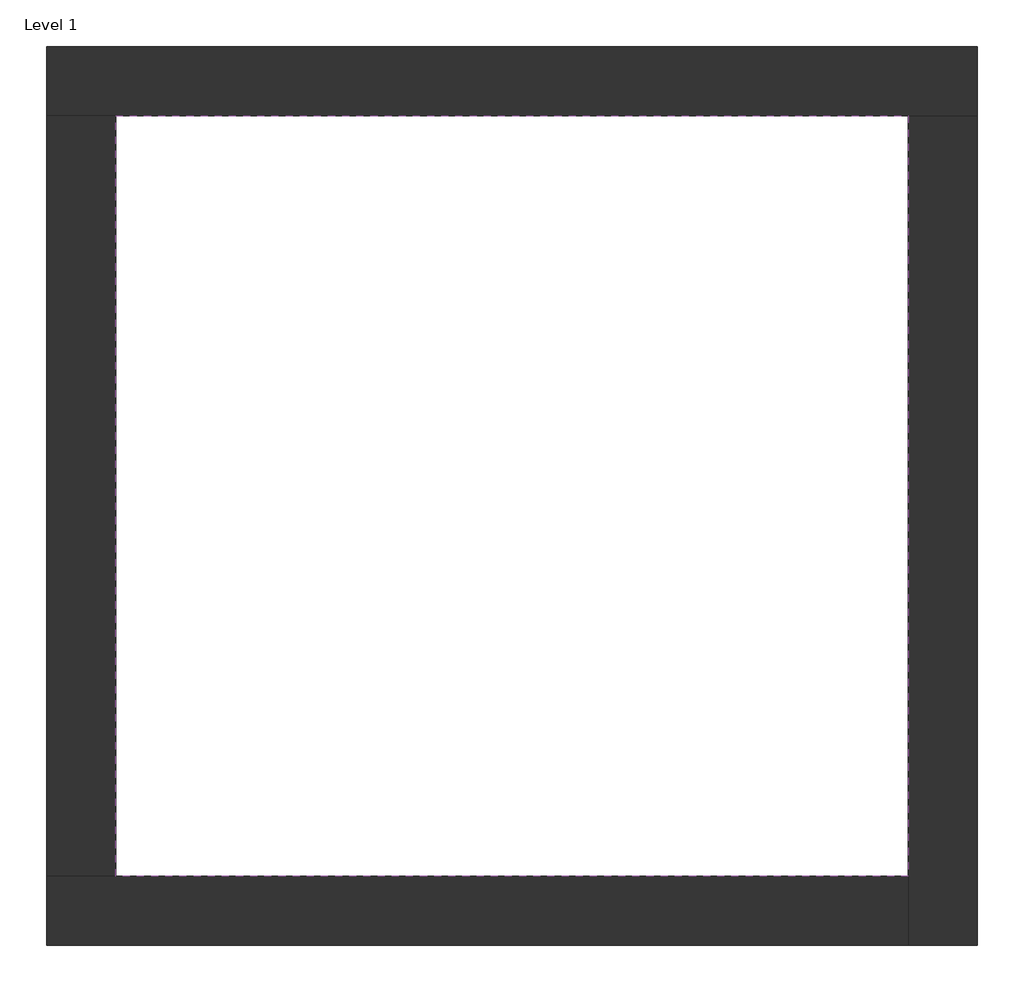
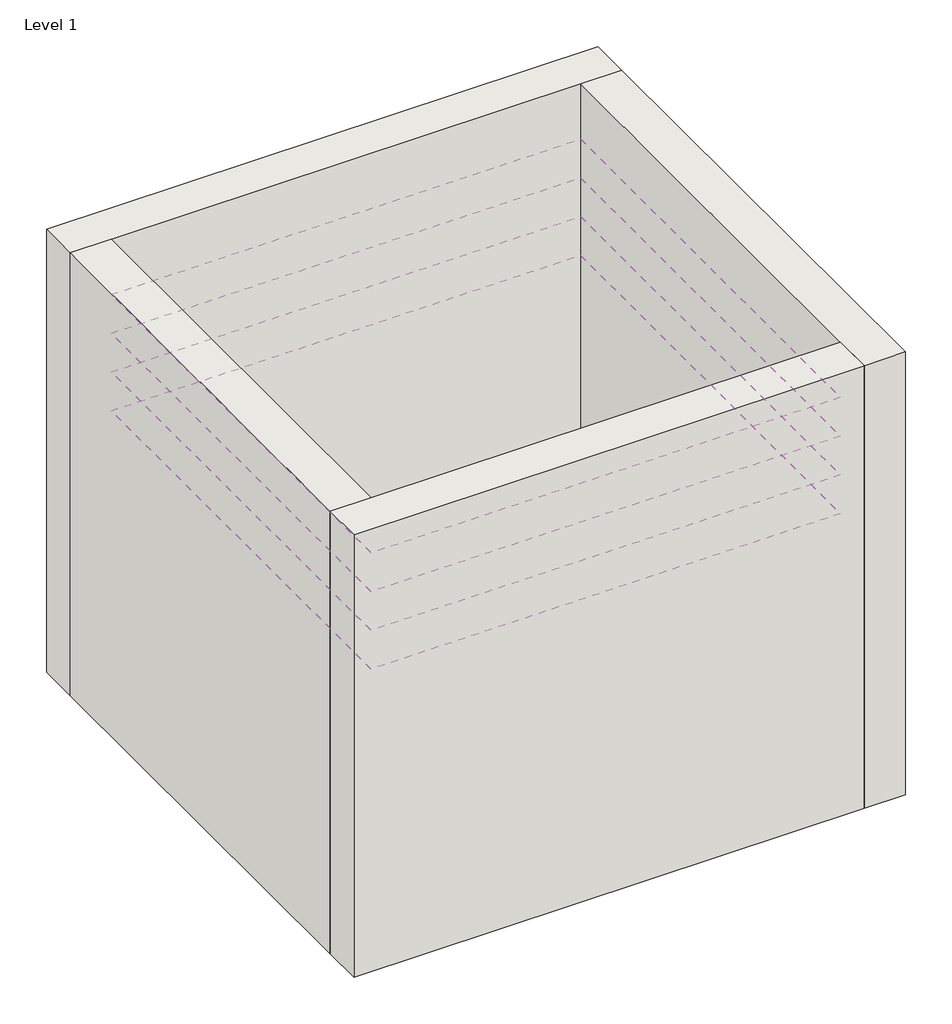
# One storey: 4 coverings, 4 walls.
"""IFC4 building model written with IfcOpenShell, lengths in millimetres."""

import ifcopenshell
import ifcopenshell.guid

model = None  # the IFC model being written
_history = None  # IfcOwnerHistory: only IFC2X3 demands one
_inside = {}  # id of a spatial element -> (the spatial element, [elements in it])
_under = {}  # id of a project, library or spatial element -> (it, [spatial elements below it])
_declared = {}  # id of a project -> (the project, [libraries it declares])
_typed = {}  # id of a type object -> (the type object, [elements of that type])
_made_of = {}  # id of a material, layer set ... -> (it, [elements and type objects made of it])


def new_model(schema):
    """Start an empty IFC model of exactly this schema.

    Asked for "IFC4X3", IfcOpenShell would pick the latest addendum, in which some entities
    have other attributes; the version numbers below select the first issue.
    IFC2X3 requires an IfcOwnerHistory on every rooted entity: one is made here for all.
    """
    global model, _history
    if schema == "IFC4X3":
        model = ifcopenshell.file(schema_version=(4, 3, 0, 0))
    else:
        model = ifcopenshell.file(schema=schema)
    _inside.clear()
    _under.clear()
    _declared.clear()
    _typed.clear()
    _made_of.clear()
    _history = None
    if model.schema == "IFC2X3":
        org = make("IfcOrganization", Name="unknown")
        user = make(
            "IfcPersonAndOrganization",
            ThePerson=make("IfcPerson", FamilyName="unknown"),
            TheOrganization=org,
        )
        app = make(
            "IfcApplication",
            ApplicationDeveloper=org,
            Version="unknown",
            ApplicationFullName="unknown",
            ApplicationIdentifier="unknown",
        )
        _history = make(
            "IfcOwnerHistory",
            OwningUser=user,
            OwningApplication=app,
            ChangeAction="ADDED",
            CreationDate=0,
        )
    return model


def make(cls, **values):
    """One entity of the class cls with the attributes given. An attribute that is None is left unset."""
    return model.create_entity(
        cls, **{name: value for name, value in values.items() if value is not None}
    )


def rooted(cls, **values):
    """An entity with a GlobalId (a new one), such as an element, a storey or a relation."""
    return make(cls, GlobalId=ifcopenshell.guid.new(), OwnerHistory=_history, **values)


def si_unit(unit_type, name, prefix=None):
    """IfcSIUnit, for example si_unit("LENGTHUNIT", "METRE", prefix="MILLI")."""
    return make("IfcSIUnit", UnitType=unit_type, Prefix=prefix, Name=name)


def assignment(units):
    """IfcUnitAssignment: the units of a project."""
    return None if units is None else make("IfcUnitAssignment", Units=units)


def point(xyz):
    """IfcCartesianPoint."""
    return None if xyz is None else make("IfcCartesianPoint", Coordinates=xyz)


def direction(xyz):
    """IfcDirection."""
    return None if xyz is None else make("IfcDirection", DirectionRatios=xyz)


def frame(location, z_axis=None, x_axis=None):
    """IfcAxis2Placement3D, a coordinate frame: its origin and axes. An axis left out is left unset."""
    return make(
        "IfcAxis2Placement3D",
        Location=point(location),
        Axis=direction(z_axis),
        RefDirection=direction(x_axis),
    )


def origin():
    """The frame at (0, 0, 0) with its axes left unset."""
    return frame((0.0, 0.0, 0.0))


def origin_with_axes():
    """The frame at (0, 0, 0) with the z axis (0, 0, 1) and the x axis (1, 0, 0) written out."""
    return frame((0.0, 0.0, 0.0), z_axis=(0.0, 0.0, 1.0), x_axis=(1.0, 0.0, 0.0))


def place(relative_to, where):
    """IfcLocalPlacement: puts the frame where relative to a parent placement (None: the world)."""
    return make(
        "IfcLocalPlacement", PlacementRelTo=relative_to, RelativePlacement=where
    )


def context(
    kind, dimensions, precision=None, world=None, true_north=None, identifier=None
):
    """IfcGeometricRepresentationContext, for example the 3D "Model" context."""
    return make(
        "IfcGeometricRepresentationContext",
        ContextIdentifier=identifier,
        ContextType=kind,
        CoordinateSpaceDimension=dimensions,
        Precision=precision,
        WorldCoordinateSystem=world,
        TrueNorth=true_north,
    )


def project(units=None, contexts=None):
    """IfcProject with its units and contexts."""
    return rooted(
        "IfcProject",
        Name="project",
        RepresentationContexts=contexts,
        UnitsInContext=assignment(units),
    )


def spatial(cls, under=None, at=None, **own):
    """A site, building, storey or space (cls), placed at a placement, below another one or the project."""
    s = rooted(cls, ObjectPlacement=at, **own)
    if under is not None:
        _under.setdefault(under.id(), (under, []))[1].append(s)
    return s


def polyline(points):
    """IfcPolyline through the points."""
    return make("IfcPolyline", Points=[point(p) for p in points])


def outline(outer, holes=None, kind="AREA"):
    """IfcArbitraryClosedProfileDef: a profile drawn as a closed curve; with holes, ...WithVoids."""
    if holes is None:
        return make("IfcArbitraryClosedProfileDef", ProfileType=kind, OuterCurve=outer)
    return make(
        "IfcArbitraryProfileDefWithVoids",
        ProfileType=kind,
        OuterCurve=outer,
        InnerCurves=holes,
    )


def extrude(swept, where, along, depth):
    """IfcExtrudedAreaSolid: the profile swept, set in the frame where, extruded along a direction by depth."""
    return make(
        "IfcExtrudedAreaSolid",
        SweptArea=swept,
        Position=where,
        ExtrudedDirection=direction(along),
        Depth=depth,
    )


def faces_of(points, faces, orient=None, outer=None):
    """IfcFace entities. A face is a list of loops; a loop is a list of indices into points, from 0.

    orient and outer hold one flag for each loop. By default every Orientation is true, the
    first loop of a face is its IfcFaceOuterBound and the others are IfcFaceBound.
    """
    made = []
    for i, loops in enumerate(faces):
        bounds = []
        for j, loop in enumerate(loops):
            is_outer = j == 0 if outer is None else outer[i][j]
            bounds.append(
                make(
                    "IfcFaceOuterBound" if is_outer else "IfcFaceBound",
                    Bound=make("IfcPolyLoop", Polygon=[points[k] for k in loop]),
                    Orientation=True if orient is None else orient[i][j],
                )
            )
        made.append(make("IfcFace", Bounds=bounds))
    return made


def faceted_brep(points, faces, orient=None, outer=None, voids=None):
    """IfcFacetedBrep: a solid bounded by flat faces; with voids (closed shells), ...WithVoids."""
    shared = [point(p) for p in points]
    hull = make("IfcClosedShell", CfsFaces=faces_of(shared, faces, orient, outer))
    if voids is None:
        return make("IfcFacetedBrep", Outer=hull)
    return make(
        "IfcFacetedBrepWithVoids",
        Outer=hull,
        Voids=[
            make(cls, CfsFaces=faces_of(shared, fs, o, b)) for cls, fs, o, b in voids
        ],
    )


def shape(context_of_items, identifier, shape_type, items):
    """IfcShapeRepresentation: the items that make up one representation, for example the "Body"."""
    return make(
        "IfcShapeRepresentation",
        ContextOfItems=context_of_items,
        RepresentationIdentifier=identifier,
        RepresentationType=shape_type,
        Items=items,
    )


def made_of(thing, what):
    """Note that an element or type object is made of a material, layer set ...; save() writes the relation."""
    if what is not None:
        _made_of.setdefault(what.id(), (what, []))[1].append(thing)
    return thing


def element(
    cls,
    number,
    at=None,
    inside=None,
    cuts=None,
    type_object=None,
    material=None,
    context=None,
    identifier="Body",
    shape_type=None,
    held_by="IfcProductDefinitionShape",
    body=None,
    shapes=None,
    **own,
):
    """One element of the class cls, such as IfcWall. Its Tag is "e" and its number.

    at: its placement. inside: the storey or other place that contains it. cuts: it is an
    opening in that element (IfcRelVoidsElement). A single representation is given by context,
    identifier, shape_type and body (its items); several are given by shapes. held_by: the class
    of the entity that holds the representations. save() writes the other relations.
    """
    e = rooted(cls, Tag="e%d" % number, ObjectPlacement=at, **own)
    if body is not None:
        shapes = [shape(context, identifier, shape_type, body)]
    if shapes is not None:
        e.Representation = make(held_by, Representations=shapes)
    if inside is not None:
        _inside.setdefault(inside.id(), (inside, []))[1].append(e)
    if cuts is not None:
        rooted(
            "IfcRelVoidsElement", RelatingBuildingElement=cuts, RelatedOpeningElement=e
        )
    if type_object is not None:
        _typed.setdefault(type_object.id(), (type_object, []))[1].append(e)
    return made_of(e, material)


def aggregate(whole, parts):
    """IfcRelAggregates: a whole, such as a stair, and the parts it consists of."""
    return rooted("IfcRelAggregates", RelatingObject=whole, RelatedObjects=parts)


def save(model, path):
    """Write the relations noted so far, then the file.

    IfcRelAggregates (storeys below a building ...), IfcRelContainedInSpatialStructure (elements
    in a storey), IfcRelDefinesByType, IfcRelAssociatesMaterial and IfcRelDeclares: one each for
    every whole, place, type object, material and project.
    """
    for whole, parts in _under.values():
        aggregate(whole, parts)
    for where, things in _inside.values():
        rooted(
            "IfcRelContainedInSpatialStructure",
            RelatedElements=things,
            RelatingStructure=where,
        )
    for kind, things in _typed.values():
        rooted("IfcRelDefinesByType", RelatedObjects=things, RelatingType=kind)
    for what, things in _made_of.values():
        rooted("IfcRelAssociatesMaterial", RelatedObjects=things, RelatingMaterial=what)
    for by, libraries in _declared.values():
        rooted("IfcRelDeclares", RelatingContext=by, RelatedDefinitions=libraries)
    model.write(path)


model = new_model("IFC4")

# Units and contexts
model_context = context("Model", 3, world=origin())
ifc_project = project(units=[si_unit("LENGTHUNIT", "METRE", prefix="MILLI")], contexts=[model_context])

# Site, building, storey
site = spatial("IfcSite", under=ifc_project)
building = spatial("IfcBuilding", under=site)
storey = spatial("IfcBuildingStorey", under=building, Name="Level 1", Elevation=0.0)

# Coverings
placement = place(None, origin())
element("IfcCovering", 1, at=placement, inside=storey, context=model_context, shape_type="SweptSolid", body=[
    extrude(outline(polyline([(-14894.8573003, 6921.2750283), (-10882.3573003, 6921.2750283), (-10882.3573003, 3071.2750283), (-14894.8573003, 3071.2750283), (-14894.8573003, 6921.2750283)])), frame((0.0, 0.0, 3500.0), z_axis=(0.0, 0.0, 1.0), x_axis=(1.0, 0.0, 0.0)), (0.0, 0.0, 1.0), 105.0),
])
element("IfcCovering", 2, at=placement, inside=storey, context=model_context, shape_type="SweptSolid", body=[
    extrude(outline(polyline([(-14894.8573003, 6921.2750283), (-10882.3573003, 6921.2750283), (-10882.3573003, 3071.2750283), (-14894.8573003, 3071.2750283), (-14894.8573003, 6921.2750283)])), frame((0.0, 0.0, 3150.0), z_axis=(0.0, 0.0, 1.0), x_axis=(1.0, 0.0, 0.0)), (0.0, 0.0, 1.0), 105.0),
])
element("IfcCovering", 3, at=placement, inside=storey, context=model_context, shape_type="SweptSolid", body=[
    extrude(outline(polyline([(-14894.8573003, 6921.2750283), (-10882.3573003, 6921.2750283), (-10882.3573003, 3071.2750283), (-14894.8573003, 3071.2750283), (-14894.8573003, 6921.2750283)])), frame((0.0, 0.0, 2800.0), z_axis=(0.0, 0.0, 1.0), x_axis=(1.0, 0.0, 0.0)), (0.0, 0.0, 1.0), 105.0),
])
element("IfcCovering", 4, at=placement, inside=storey, context=model_context, shape_type="SweptSolid", body=[
    extrude(outline(polyline([(-14894.8573003, 6921.2750283), (-10882.3573003, 6921.2750283), (-10882.3573003, 3071.2750283), (-14894.8573003, 3071.2750283), (-14894.8573003, 6921.2750283)])), frame((0.0, 0.0, 2450.0), z_axis=(0.0, 0.0, 1.0), x_axis=(1.0, 0.0, 0.0)), (0.0, 0.0, 1.0), 105.0),
])

# Walls
element("IfcWall", 5, ObjectType="Exterior - Brick on Mtl. Stud", at=placement, inside=storey, context=model_context, shape_type="Brep", body=[
    faceted_brep([(-15244.8573003, 6921.2750283, 0.0), (-14894.8573003, 6921.2750283, 0.0), (-10882.3573003, 6921.2750283, 0.0), (-10532.3573003, 6921.2750283, 0.0), (-10532.3573003, 6921.2750283, 4000.0), (-10882.3573003, 6921.2750283, 4000.0), (-14894.8573003, 6921.2750283, 4000.0), (-15244.8573003, 6921.2750283, 4000.0), (-15244.8573003, 7271.2750283, 0.0), (-15244.8573003, 7271.2750283, 4000.0), (-10532.3573003, 7271.2750283, 4000.0), (-10532.3573003, 7271.2750283, 0.0)], [[[0, 1, 2, 3, 4, 5, 6, 7]], [[8, 9, 10, 11]], [[3, 2, 1, 0, 8, 11]], [[7, 6, 5, 4, 10, 9]], [[0, 7, 9, 8]], [[4, 3, 11, 10]]]),
])
element("IfcWall", 6, ObjectType="Exterior - Brick on Mtl. Stud", at=placement, inside=storey, context=model_context, shape_type="Brep", body=[
    faceted_brep([(-10882.3573003, 6921.2750283, 0.0), (-10882.3573003, 3071.2750283, 0.0), (-10882.3573003, 2721.2750283, 0.0), (-10882.3573003, 2721.2750283, 4000.0), (-10882.3573003, 3071.2750283, 4000.0), (-10882.3573003, 6921.2750283, 4000.0), (-10532.3573003, 6921.2750283, 0.0), (-10532.3573003, 6921.2750283, 4000.0), (-10532.3573003, 2721.2750283, 4000.0), (-10532.3573003, 2721.2750283, 0.0)], [[[0, 1, 2, 3, 4, 5]], [[6, 7, 8, 9]], [[2, 1, 0, 6, 9]], [[5, 4, 3, 8, 7]], [[3, 2, 9, 8]], [[0, 5, 7, 6]]]),
])
element("IfcWall", 7, ObjectType="Exterior - Brick on Mtl. Stud", at=placement, inside=storey, context=model_context, shape_type="Brep", body=[
    faceted_brep([(-10882.3573003, 3071.2750283, 0.0), (-14894.8573003, 3071.2750283, 0.0), (-15244.8573003, 3071.2750283, 0.0), (-15244.8573003, 3071.2750283, 4000.0), (-14894.8573003, 3071.2750283, 4000.0), (-10882.3573003, 3071.2750283, 4000.0), (-10882.3573003, 2721.2750283, 0.0), (-10882.3573003, 2721.2750283, 4000.0), (-15244.8573003, 2721.2750283, 4000.0), (-15244.8573003, 2721.2750283, 0.0)], [[[0, 1, 2, 3, 4, 5]], [[6, 7, 8, 9]], [[2, 1, 0, 6, 9]], [[5, 4, 3, 8, 7]], [[3, 2, 9, 8]], [[0, 5, 7, 6]]]),
])
element("IfcWall", 8, ObjectType="Exterior - Brick on Mtl. Stud", at=placement, inside=storey, context=model_context, shape_type="SweptSolid", body=[
    extrude(outline(polyline([(-14894.8573003, 6921.2750283), (-14894.8573003, 3071.2750283), (-15244.8573003, 3071.2750283), (-15244.8573003, 6921.2750283), (-14894.8573003, 6921.2750283)])), origin_with_axes(), (0.0, 0.0, 1.0), 4000.0),
])

save(model, "model.ifc")
